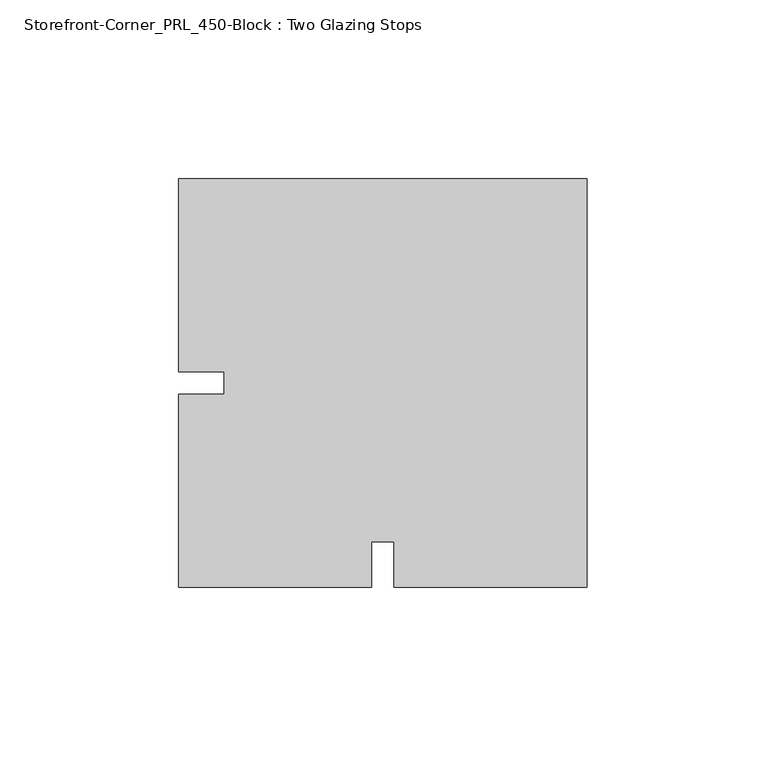
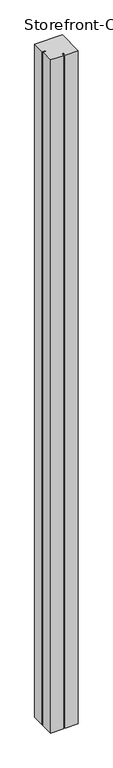
"""IFC4 building model written with IfcOpenShell, lengths in millimetres: proxy geometry, Storefront-Corner_PRL_450-Block : Two Glazing Stops."""

from ifc_helpers import new_model, si_unit, origin, origin_with_axes, place, context, project, spatial, polyline, outline, extrude, source, transform, mapped, element, save


def storefront_corner_prl_450_block_two_glazing_stops_8c05d8e7(model_context):
    return source(origin(), model_context, "Body", "SweptSolid", [
        extrude(outline(polyline([(-57.15, -3.175), (-44.45, -3.175), (-44.45, 3.175), (-57.15, 3.175), (-57.15, 57.15), (57.15, 57.15), (57.15, -57.15), (3.175, -57.15), (3.175, -44.45), (-3.175, -44.45), (-3.175, -57.15), (-57.15, -57.15), (-57.15, -3.175)])), origin_with_axes(), (0.0, 0.0, 1.0), 2946.4),
    ])


if __name__ == "__main__":
    model = new_model("IFC4")
    model_context = context("Model", 3, world=origin())
    ifc_project = project(units=[si_unit("LENGTHUNIT", "METRE", prefix="MILLI")], contexts=[model_context])
    site = spatial("IfcSite", under=ifc_project)
    building = spatial("IfcBuilding", under=site)
    placement = place(None, origin())
    storefront_corner_prl_450_block_two_glazing_stops_shape = storefront_corner_prl_450_block_two_glazing_stops_8c05d8e7(model_context)
    element("IfcBuildingElementProxy", 1, Name="Storefront-Corner_PRL_450-Block : Two Glazing Stops", ObjectType="Storefront-Corner_PRL_450-Block : Two Glazing Stops", at=placement, inside=building, context=model_context, shape_type="MappedRepresentation", body=[
        mapped(storefront_corner_prl_450_block_two_glazing_stops_shape, transform((0.0, 0.0, 0.0), x_axis=(1.0, 0.0, 0.0), y_axis=(0.0, 1.0, 0.0), z_axis=(0.0, 0.0, 1.0))),
    ])
    save(model, "model.ifc")
